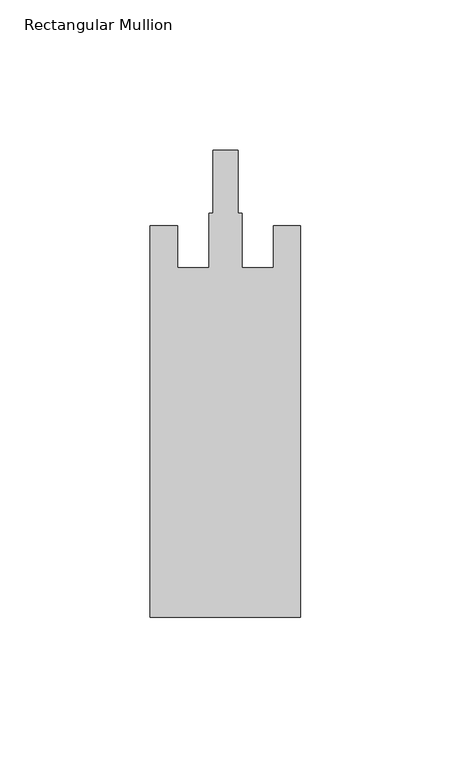
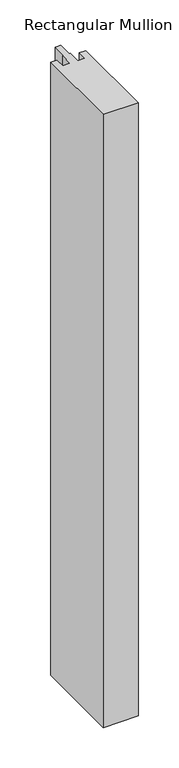
"""IFC4 building model written with IfcOpenShell, lengths in millimetres: member geometry, Rectangular Mullion."""

import ifcopenshell
import ifcopenshell.guid

model = None  # the IFC model being written
_history = None  # IfcOwnerHistory: only IFC2X3 demands one
_inside = {}  # id of a spatial element -> (the spatial element, [elements in it])
_under = {}  # id of a project, library or spatial element -> (it, [spatial elements below it])
_declared = {}  # id of a project -> (the project, [libraries it declares])
_typed = {}  # id of a type object -> (the type object, [elements of that type])
_made_of = {}  # id of a material, layer set ... -> (it, [elements and type objects made of it])


def new_model(schema):
    """Start an empty IFC model of exactly this schema.

    Asked for "IFC4X3", IfcOpenShell would pick the latest addendum, in which some entities
    have other attributes; the version numbers below select the first issue.
    IFC2X3 requires an IfcOwnerHistory on every rooted entity: one is made here for all.
    """
    global model, _history
    if schema == "IFC4X3":
        model = ifcopenshell.file(schema_version=(4, 3, 0, 0))
    else:
        model = ifcopenshell.file(schema=schema)
    _inside.clear()
    _under.clear()
    _declared.clear()
    _typed.clear()
    _made_of.clear()
    _history = None
    if model.schema == "IFC2X3":
        org = make("IfcOrganization", Name="unknown")
        user = make(
            "IfcPersonAndOrganization",
            ThePerson=make("IfcPerson", FamilyName="unknown"),
            TheOrganization=org,
        )
        app = make(
            "IfcApplication",
            ApplicationDeveloper=org,
            Version="unknown",
            ApplicationFullName="unknown",
            ApplicationIdentifier="unknown",
        )
        _history = make(
            "IfcOwnerHistory",
            OwningUser=user,
            OwningApplication=app,
            ChangeAction="ADDED",
            CreationDate=0,
        )
    return model


def make(cls, **values):
    """One entity of the class cls with the attributes given. An attribute that is None is left unset."""
    return model.create_entity(
        cls, **{name: value for name, value in values.items() if value is not None}
    )


def rooted(cls, **values):
    """An entity with a GlobalId (a new one), such as an element, a storey or a relation."""
    return make(cls, GlobalId=ifcopenshell.guid.new(), OwnerHistory=_history, **values)


def si_unit(unit_type, name, prefix=None):
    """IfcSIUnit, for example si_unit("LENGTHUNIT", "METRE", prefix="MILLI")."""
    return make("IfcSIUnit", UnitType=unit_type, Prefix=prefix, Name=name)


def assignment(units):
    """IfcUnitAssignment: the units of a project."""
    return None if units is None else make("IfcUnitAssignment", Units=units)


def point(xyz):
    """IfcCartesianPoint."""
    return None if xyz is None else make("IfcCartesianPoint", Coordinates=xyz)


def direction(xyz):
    """IfcDirection."""
    return None if xyz is None else make("IfcDirection", DirectionRatios=xyz)


def frame(location, z_axis=None, x_axis=None):
    """IfcAxis2Placement3D, a coordinate frame: its origin and axes. An axis left out is left unset."""
    return make(
        "IfcAxis2Placement3D",
        Location=point(location),
        Axis=direction(z_axis),
        RefDirection=direction(x_axis),
    )


def origin():
    """The frame at (0, 0, 0) with its axes left unset."""
    return frame((0.0, 0.0, 0.0))


def place(relative_to, where):
    """IfcLocalPlacement: puts the frame where relative to a parent placement (None: the world)."""
    return make(
        "IfcLocalPlacement", PlacementRelTo=relative_to, RelativePlacement=where
    )


def context(
    kind, dimensions, precision=None, world=None, true_north=None, identifier=None
):
    """IfcGeometricRepresentationContext, for example the 3D "Model" context."""
    return make(
        "IfcGeometricRepresentationContext",
        ContextIdentifier=identifier,
        ContextType=kind,
        CoordinateSpaceDimension=dimensions,
        Precision=precision,
        WorldCoordinateSystem=world,
        TrueNorth=true_north,
    )


def project(units=None, contexts=None):
    """IfcProject with its units and contexts."""
    return rooted(
        "IfcProject",
        Name="project",
        RepresentationContexts=contexts,
        UnitsInContext=assignment(units),
    )


def spatial(cls, under=None, at=None, **own):
    """A site, building, storey or space (cls), placed at a placement, below another one or the project."""
    s = rooted(cls, ObjectPlacement=at, **own)
    if under is not None:
        _under.setdefault(under.id(), (under, []))[1].append(s)
    return s


def polyline(points):
    """IfcPolyline through the points."""
    return make("IfcPolyline", Points=[point(p) for p in points])


def outline(outer, holes=None, kind="AREA"):
    """IfcArbitraryClosedProfileDef: a profile drawn as a closed curve; with holes, ...WithVoids."""
    if holes is None:
        return make("IfcArbitraryClosedProfileDef", ProfileType=kind, OuterCurve=outer)
    return make(
        "IfcArbitraryProfileDefWithVoids",
        ProfileType=kind,
        OuterCurve=outer,
        InnerCurves=holes,
    )


def extrude(swept, where, along, depth):
    """IfcExtrudedAreaSolid: the profile swept, set in the frame where, extruded along a direction by depth."""
    return make(
        "IfcExtrudedAreaSolid",
        SweptArea=swept,
        Position=where,
        ExtrudedDirection=direction(along),
        Depth=depth,
    )


def shape(context_of_items, identifier, shape_type, items):
    """IfcShapeRepresentation: the items that make up one representation, for example the "Body"."""
    return make(
        "IfcShapeRepresentation",
        ContextOfItems=context_of_items,
        RepresentationIdentifier=identifier,
        RepresentationType=shape_type,
        Items=items,
    )


def source(mapping_origin, context_of_items, identifier, shape_type, items):
    """IfcRepresentationMap: a shape defined once, which mapped items show again and again."""
    return make(
        "IfcRepresentationMap",
        MappingOrigin=mapping_origin,
        MappedRepresentation=shape(context_of_items, identifier, shape_type, items),
    )


def transform(
    local_origin,
    x_axis=None,
    y_axis=None,
    z_axis=None,
    scale=None,
    scale2=None,
    scale3=None,
    uniform=True,
):
    """IfcCartesianTransformationOperator3D, or its non-uniform kind. x_axis, y_axis, z_axis: its Axis1, 2, 3."""
    if uniform:
        return make(
            "IfcCartesianTransformationOperator3D",
            Axis1=direction(x_axis),
            Axis2=direction(y_axis),
            LocalOrigin=point(local_origin),
            Scale=scale,
            Axis3=direction(z_axis),
        )
    return make(
        "IfcCartesianTransformationOperator3DnonUniform",
        Axis1=direction(x_axis),
        Axis2=direction(y_axis),
        LocalOrigin=point(local_origin),
        Scale=scale,
        Axis3=direction(z_axis),
        Scale2=scale2,
        Scale3=scale3,
    )


def mapped(mapping_source, mapping_target):
    """IfcMappedItem: shows the shape of a source again, moved by a transform."""
    return make(
        "IfcMappedItem", MappingSource=mapping_source, MappingTarget=mapping_target
    )


def made_of(thing, what):
    """Note that an element or type object is made of a material, layer set ...; save() writes the relation."""
    if what is not None:
        _made_of.setdefault(what.id(), (what, []))[1].append(thing)
    return thing


def element(
    cls,
    number,
    at=None,
    inside=None,
    cuts=None,
    type_object=None,
    material=None,
    context=None,
    identifier="Body",
    shape_type=None,
    held_by="IfcProductDefinitionShape",
    body=None,
    shapes=None,
    **own,
):
    """One element of the class cls, such as IfcWall. Its Tag is "e" and its number.

    at: its placement. inside: the storey or other place that contains it. cuts: it is an
    opening in that element (IfcRelVoidsElement). A single representation is given by context,
    identifier, shape_type and body (its items); several are given by shapes. held_by: the class
    of the entity that holds the representations. save() writes the other relations.
    """
    e = rooted(cls, Tag="e%d" % number, ObjectPlacement=at, **own)
    if body is not None:
        shapes = [shape(context, identifier, shape_type, body)]
    if shapes is not None:
        e.Representation = make(held_by, Representations=shapes)
    if inside is not None:
        _inside.setdefault(inside.id(), (inside, []))[1].append(e)
    if cuts is not None:
        rooted(
            "IfcRelVoidsElement", RelatingBuildingElement=cuts, RelatedOpeningElement=e
        )
    if type_object is not None:
        _typed.setdefault(type_object.id(), (type_object, []))[1].append(e)
    return made_of(e, material)


def aggregate(whole, parts):
    """IfcRelAggregates: a whole, such as a stair, and the parts it consists of."""
    return rooted("IfcRelAggregates", RelatingObject=whole, RelatedObjects=parts)


def save(model, path):
    """Write the relations noted so far, then the file.

    IfcRelAggregates (storeys below a building ...), IfcRelContainedInSpatialStructure (elements
    in a storey), IfcRelDefinesByType, IfcRelAssociatesMaterial and IfcRelDeclares: one each for
    every whole, place, type object, material and project.
    """
    for whole, parts in _under.values():
        aggregate(whole, parts)
    for where, things in _inside.values():
        rooted(
            "IfcRelContainedInSpatialStructure",
            RelatedElements=things,
            RelatingStructure=where,
        )
    for kind, things in _typed.values():
        rooted("IfcRelDefinesByType", RelatedObjects=things, RelatingType=kind)
    for what, things in _made_of.values():
        rooted("IfcRelAssociatesMaterial", RelatedObjects=things, RelatingMaterial=what)
    for by, libraries in _declared.values():
        rooted("IfcRelDeclares", RelatingContext=by, RelatedDefinitions=libraries)
    model.write(path)


def rectangular_mullion_7cc00f78(model_context):
    return source(origin(), model_context, "Body", "SweptSolid", [
        extrude(outline(polyline([(25.0, -162.0), (-25.0, -162.0), (-25.0, -32.0), (-16.0, -32.0), (-16.0, -46.0), (-5.5, -46.0), (-5.5, -27.8), (-4.1, -27.8), (-4.1, -7.0), (4.1, -7.0), (4.1, -27.8), (5.5, -27.8), (5.5, -46.0), (16.0, -46.0), (16.0, -32.0), (25.0, -32.0), (25.0, -162.0)])), frame((0.0, 0.0, -925.0), z_axis=(0.0, 0.0, 1.0), x_axis=(1.0, 0.0, 0.0)), (0.0, 0.0, 1.0), 925.0),
    ])


if __name__ == "__main__":
    model = new_model("IFC4")
    model_context = context("Model", 3, world=origin())
    ifc_project = project(units=[si_unit("LENGTHUNIT", "METRE", prefix="MILLI")], contexts=[model_context])
    site = spatial("IfcSite", under=ifc_project)
    building = spatial("IfcBuilding", under=site)
    placement = place(None, origin())
    rectangular_mullion_shape = rectangular_mullion_7cc00f78(model_context)
    element("IfcMember", 1, ObjectType="Rectangular Mullion", at=placement, inside=building, context=model_context, shape_type="MappedRepresentation", body=[
        mapped(rectangular_mullion_shape, transform((0.0, 0.0, 0.0), x_axis=(1.0, 0.0, 0.0), y_axis=(0.0, 1.0, 0.0), z_axis=(0.0, 0.0, 1.0))),
    ])
    save(model, "model.ifc")
